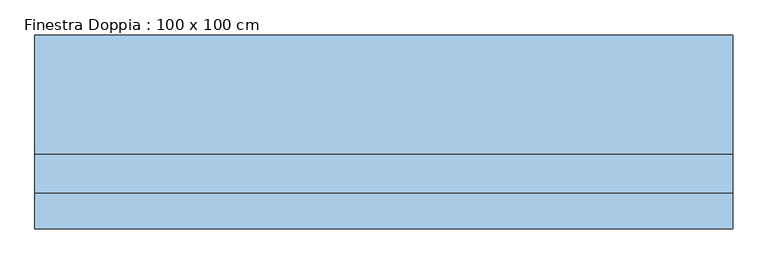
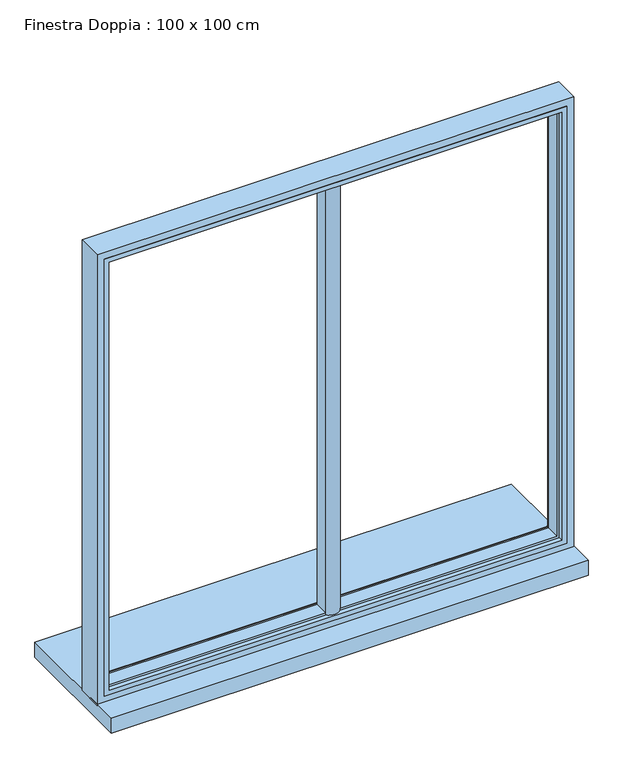
"""IFC4 building model written with IfcOpenShell, lengths in millimetres: window geometry, Finestra Doppia : 100 x 100 cm."""

from ifc_helpers import new_model, si_unit, point, frame, frame_2d, origin, place, context, project, spatial, polyline, circle_curve, ellipse_curve, trimmed, segment, composite_curve, outline, extrude, faceted_brep, source, transform, mapped, element, save
from ifc_brep_helpers import plane_surface, cylinder_surface, advanced_brep


def finestra_doppia_100_x_100_cm_84858da9(model_context):
    return source(origin(), model_context, "Body", "SolidModel", [
        extrude(outline(composite_curve([segment(polyline([(-15.0, -10.0), (-15.0, 20.0)]), True, "CONTINUOUS"), segment(trimmed(circle_curve(frame_2d((0.0, 7.0384974)), 19.8242415), [point((-15.0, 20.0))], [point((15.0, 20.0))], False, "CARTESIAN"), True, "CONTINUOUS"), segment(polyline([(15.0, 20.0), (15.0, -10.0)]), True, "CONTINUOUS"), segment(trimmed(circle_curve(frame_2d((0.0, 5.6850663)), 21.7030253), [point((15.0, -10.0))], [point((-15.0, -10.0))], False, "CARTESIAN"), True, "CONTINUOUS")], self_intersect=False)), frame((0.0, 0.0, 800.0), z_axis=(0.0, 0.0, 1.0), x_axis=(1.0, 0.0, 0.0)), (0.0, 0.0, 1.0), 975.0349779),
        faceted_brep([(485.0, -20.0, 1785.0349779), (485.0, 20.0, 1785.0349779), (-485.0, 20.0, 1785.0349779), (-485.0, -20.0, 1785.0349779), (475.0, -10.0, 1775.0349779), (475.0, -20.0, 1775.0349779), (-475.0, -20.0, 1775.0349779), (-475.0, -10.0, 1775.0349779), (470.0, 20.0, 1770.0349779), (470.0, -10.0, 1770.0349779), (-470.0, -10.0, 1770.0349779), (-470.0, 20.0, 1770.0349779), (-485.0, 20.0, 815.0), (-485.0, -20.0, 815.0), (-475.0, -20.0, 825.0), (-475.0, -10.0, 825.0), (-470.0, -10.0, 830.0), (-470.0, 20.0, 830.0), (485.0, 20.0, 815.0), (485.0, -20.0, 815.0), (475.0, -20.0, 825.0), (475.0, -10.0, 825.0), (470.0, -10.0, 830.0), (470.0, 20.0, 830.0)], [[[0, 1, 2, 3]], [[4, 5, 6, 7]], [[8, 9, 10, 11]], [[3, 2, 12, 13]], [[7, 6, 14, 15]], [[11, 10, 16, 17]], [[13, 12, 18, 19]], [[15, 14, 20, 21]], [[17, 16, 22, 23]], [[19, 18, 1, 0]], [[3, 13, 19, 0], [5, 20, 14, 6]], [[21, 20, 5, 4]], [[7, 15, 21, 4], [9, 22, 16, 10]], [[23, 22, 9, 8]], [[1, 18, 12, 2], [11, 17, 23, 8]]]),
        advanced_brep(
        [(-500.0, 35.0, 1800.0), (-500.0, 35.0, 800.0), (-500.0, -20.0, 800.0), (-500.0, -20.0, 1800.0), (-485.0, 20.0, 1785.0), (-485.0, -20.0, 1785.0), (-485.0, -20.0, 815.0), (-485.0, 20.0, 815.0), (-475.0, 30.0, 1775.0), (-475.0, 20.0, 1775.0), (-475.0, 20.0, 825.0), (-475.0, 30.0, 825.0), (-480.0, 35.0, 1780.0), (-480.0, 35.0, 820.0), (500.0, 35.0, 800.0), (500.0, -20.0, 800.0), (485.0, -20.0, 815.0), (485.0, 20.0, 815.0), (475.0, 20.0, 825.0), (475.0, 30.0, 825.0), (480.0, 35.0, 820.0), (500.0, 35.0, 1800.0), (500.0, -20.0, 1800.0), (485.0, -20.0, 1785.0), (485.0, 20.0, 1785.0), (475.0, 20.0, 1775.0), (475.0, 30.0, 1775.0), (480.0, 35.0, 1780.0)],
        [
            (0, 1),
            (1, 2),
            (2, 3),
            (3, 0),
            (4, 5),
            (5, 6),
            (6, 7),
            (7, 4),
            (8, 9),
            (9, 10),
            (10, 11),
            (11, 8),
            (12, 8, ellipse_curve(frame((-480.0, 30.0, 1780.0), z_axis=(-0.7071067811865475, 0.0, -0.7071067811865475), x_axis=(-0.7071067811865474, 0.0, 0.7071067811865476)), 7.0710678, 5.0)),
            (11, 13, ellipse_curve(frame((-480.0, 30.0, 820.0), z_axis=(-0.7071067811865475, 0.0, 0.7071067811865475), x_axis=(0.7071067811865474, 0.0, 0.7071067811865476)), 7.0710678, 5.0)),
            (13, 12),
            (1, 14),
            (14, 15),
            (15, 2),
            (6, 16),
            (16, 17),
            (17, 7),
            (10, 18),
            (18, 19),
            (19, 11),
            (19, 20, ellipse_curve(frame((480.0, 30.0, 820.0), z_axis=(-0.7071067811865475, 0.0, -0.7071067811865475), x_axis=(-0.7071067811865476, 0.0, 0.7071067811865474)), 7.0710678, 5.0)),
            (20, 13),
            (14, 21),
            (21, 22),
            (22, 15),
            (16, 23),
            (23, 24),
            (24, 17),
            (18, 25),
            (25, 26),
            (26, 19),
            (26, 27, ellipse_curve(frame((480.0, 30.0, 1780.0), z_axis=(0.7071067811865475, 0.0, -0.7071067811865475), x_axis=(-0.7071067811865474, 0.0, -0.7071067811865476)), 7.0710678, 5.0)),
            (27, 20),
            (21, 0),
            (3, 22),
            (5, 23),
            (4, 24),
            (9, 25),
            (8, 26),
            (12, 27),
        ],
        [
            plane_surface(frame((-500.0, 0.0, 1800.0), z_axis=(-1.0, 0.0, 0.0), x_axis=(0.0, 0.0, -1.0))),
            plane_surface(frame((-485.0, -20.0, 1785.0), z_axis=(1.0, 0.0, 0.0), x_axis=(0.0, 0.0, -1.0))),
            plane_surface(frame((-475.0, 20.0, 1775.0), z_axis=(1.0, 0.0, 0.0), x_axis=(0.0, 0.0, -1.0))),
            cylinder_surface(frame((-480.0, 30.0, 1800.0), z_axis=(0.0, 0.0, 1.0), x_axis=(1.0, 0.0, 0.0)), 5.0),
            plane_surface(frame((-500.0, 0.0, 800.0), z_axis=(0.0, 0.0, -1.0), x_axis=(1.0, 0.0, 0.0))),
            plane_surface(frame((-485.0, -20.0, 815.0), z_axis=(0.0, 0.0, 1.0), x_axis=(1.0, 0.0, 0.0))),
            plane_surface(frame((-475.0, 20.0, 825.0), z_axis=(0.0, 0.0, 1.0), x_axis=(1.0, 0.0, 0.0))),
            cylinder_surface(frame((-500.0, 30.0, 820.0), z_axis=(-1.0, 0.0, 0.0), x_axis=(0.0, 0.0, 1.0)), 5.0),
            plane_surface(frame((500.0, 0.0, 800.0), z_axis=(1.0, 0.0, 0.0), x_axis=(0.0, 0.0, 1.0))),
            plane_surface(frame((485.0, -20.0, 815.0), z_axis=(-1.0, 0.0, 0.0), x_axis=(0.0, 0.0, 1.0))),
            plane_surface(frame((475.0, 20.0, 825.0), z_axis=(-1.0, 0.0, 0.0), x_axis=(0.0, 0.0, 1.0))),
            cylinder_surface(frame((480.0, 30.0, 800.0), z_axis=(0.0, 0.0, -1.0), x_axis=(-1.0, 0.0, 0.0)), 5.0),
            plane_surface(frame((500.0, 0.0, 1800.0), z_axis=(0.0, 0.0, 1.0), x_axis=(-1.0, 0.0, 0.0))),
            plane_surface(frame((500.0, -20.0, 1800.0), z_axis=(0.0, -1.0, 0.0), x_axis=(-1.0, 0.0, 0.0))),
            plane_surface(frame((485.0, -20.0, 1785.0), z_axis=(0.0, 0.0, -1.0), x_axis=(-1.0, 0.0, 0.0))),
            plane_surface(frame((485.0, 20.0, 1785.0), z_axis=(0.0, -1.0, 0.0), x_axis=(-1.0, 0.0, 0.0))),
            plane_surface(frame((475.0, 20.0, 1775.0), z_axis=(0.0, 0.0, -1.0), x_axis=(-1.0, 0.0, 0.0))),
            cylinder_surface(frame((500.0, 30.0, 1780.0), z_axis=(1.0, 0.0, 0.0), x_axis=(0.0, 0.0, -1.0)), 5.0),
            plane_surface(frame((480.0, 35.0, 1780.0), z_axis=(0.0, 1.0, 0.0), x_axis=(-1.0, 0.0, 0.0))),
        ],
        [
            (0, [[1, 2, 3, 4]]),
            (1, [[5, 6, 7, 8]]),
            (2, [[9, 10, 11, 12]]),
            (3, [[13, -12, 14, 15]]),
            (4, [[-2, 16, 17, 18]]),
            (5, [[-7, 19, 20, 21]]),
            (6, [[-11, 22, 23, 24]]),
            (7, [[-14, -24, 25, 26]]),
            (8, [[-17, 27, 28, 29]]),
            (9, [[-20, 30, 31, 32]]),
            (10, [[-23, 33, 34, 35]]),
            (11, [[-25, -35, 36, 37]]),
            (12, [[-28, 38, -4, 39]]),
            (13, [[-18, -29, -39, -3], [40, -30, -19, -6]]),
            (14, [[-31, -40, -5, 41]]),
            (15, [[-21, -32, -41, -8], [42, -33, -22, -10]]),
            (16, [[-34, -42, -9, 43]]),
            (17, [[-36, -43, -13, 44]]),
            (18, [[-38, -27, -16, -1], [-26, -37, -44, -15]]),
        ],
    ),
        extrude(outline(polyline([(500.0, -71.4372612), (-500.0, -71.4372612), (-500.0, 206.8627388), (500.0, 206.8627388), (500.0, -71.4372612)])), frame((0.0, 0.0, 770.0), z_axis=(0.0, 0.0, 1.0), x_axis=(1.0, 0.0, 0.0)), (0.0, 0.0, 1.0), 33.0),
    ])


if __name__ == "__main__":
    model = new_model("IFC4")
    model_context = context("Model", 3, world=origin())
    ifc_project = project(units=[si_unit("LENGTHUNIT", "METRE", prefix="MILLI")], contexts=[model_context])
    site = spatial("IfcSite", under=ifc_project)
    building = spatial("IfcBuilding", under=site)
    placement = place(None, origin())
    finestra_doppia_100_x_100_cm_shape = finestra_doppia_100_x_100_cm_84858da9(model_context)
    element("IfcWindow", 1, ObjectType="Finestra Doppia : 100 x 100 cm", at=placement, inside=building, context=model_context, shape_type="MappedRepresentation", body=[
        mapped(finestra_doppia_100_x_100_cm_shape, transform((0.0, 0.0, 0.0), x_axis=(1.0, 0.0, 0.0), y_axis=(0.0, 1.0, 0.0), z_axis=(0.0, 0.0, 1.0))),
    ])
    save(model, "model.ifc")
